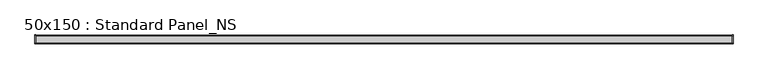
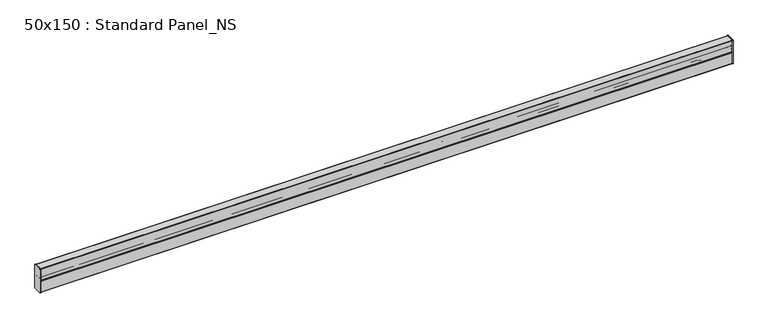
"""IFC4 building model written with IfcOpenShell, lengths in millimetres: proxy geometry, 50x150 : Standard Panel_NS."""

from ifc_helpers import new_model, si_unit, point, frame, frame_2d, origin, place, context, project, spatial, polyline, circle_curve, trimmed, segment, composite_curve, outline, extrude, source, transform, mapped, element, save


def proxy_50x150_standard_panel_ns_f7601092(model_context):
    return source(origin(), model_context, "Body", "SweptSolid", [
        extrude(outline(composite_curve([segment(polyline([(23.35, -152.0), (-23.35, -152.0)]), True, "CONTINUOUS"), segment(trimmed(circle_curve(frame_2d((-23.35, -148.35)), 3.65), [point((-23.35, -152.0))], [point((-27.0, -148.35))], False, "CARTESIAN"), True, "CONTINUOUS"), segment(polyline([(-27.0, -148.35), (-27.0, -1.65)]), True, "CONTINUOUS"), segment(trimmed(circle_curve(frame_2d((-23.35, -1.65)), 3.65), [point((-27.0, -1.65))], [point((-23.35, 2.0))], False, "CARTESIAN"), True, "CONTINUOUS"), segment(polyline([(-23.35, 2.0), (23.35, 2.0)]), True, "CONTINUOUS"), segment(trimmed(circle_curve(frame_2d((23.35, -1.65)), 3.65), [point((23.35, 2.0))], [point((27.0, -1.65))], False, "CARTESIAN"), True, "CONTINUOUS"), segment(polyline([(27.0, -1.65), (27.0, -148.35)]), True, "CONTINUOUS"), segment(trimmed(circle_curve(frame_2d((23.35, -148.35)), 3.65), [point((27.0, -148.35))], [point((23.35, -152.0))], False, "CARTESIAN"), True, "CONTINUOUS")], self_intersect=False)), frame((-4.0, 0.0, 0.0), z_axis=(1.0, 0.0, 0.0), x_axis=(0.0, 1.0, 0.0)), (0.0, 0.0, 1.0), 4.0),
        extrude(outline(composite_curve([segment(trimmed(circle_curve(frame_2d((-23.35, -148.35)), 3.65), [point((-23.35, -152.0))], [point((-27.0, -148.35))], False, "CARTESIAN"), True, "CONTINUOUS"), segment(polyline([(-27.0, -148.35), (-27.0, -1.65)]), True, "CONTINUOUS"), segment(trimmed(circle_curve(frame_2d((-23.35, -1.65)), 3.65), [point((-27.0, -1.65))], [point((-23.35, 2.0))], False, "CARTESIAN"), True, "CONTINUOUS"), segment(polyline([(-23.35, 2.0), (23.35, 2.0)]), True, "CONTINUOUS"), segment(trimmed(circle_curve(frame_2d((23.35, -1.65)), 3.65), [point((23.35, 2.0))], [point((27.0, -1.65))], False, "CARTESIAN"), True, "CONTINUOUS"), segment(polyline([(27.0, -1.65), (27.0, -148.35)]), True, "CONTINUOUS"), segment(trimmed(circle_curve(frame_2d((23.35, -148.35)), 3.65), [point((27.0, -148.35))], [point((23.35, -152.0))], False, "CARTESIAN"), True, "CONTINUOUS"), segment(polyline([(23.35, -152.0), (-23.35, -152.0)]), True, "CONTINUOUS")], self_intersect=False)), frame((4200.0, 0.0, 0.0), z_axis=(1.0, 0.0, 0.0), x_axis=(0.0, 1.0, 0.0)), (0.0, 0.0, 1.0), 4.0),
        extrude(outline(composite_curve([segment(polyline([(-23.2928932, -54.3987279), (-23.2928932, -38.6673368)]), True, "CONTINUOUS"), segment(trimmed(circle_curve(frame_2d((-21.7928932, -38.6673368)), 1.5), [point((-23.2928932, -38.6673368))], [point((-20.2928932, -38.6673368))], False, "CARTESIAN"), True, "CONTINUOUS"), segment(polyline([(-20.2928932, -38.6673368), (-20.2928932, -47.1673368), (-21.2928932, -47.1673368), (-21.2928932, -38.6673368)]), True, "CONTINUOUS"), segment(trimmed(circle_curve(frame_2d((-21.7928932, -38.6673368)), 0.5), [point((-21.2928932, -38.6673368))], [point((-22.2928932, -38.6673368))], True, "CARTESIAN"), True, "CONTINUOUS"), segment(polyline([(-22.2928932, -38.6673368), (-22.2928932, -54.6679667), (-12.4741595, -64.4867005)]), True, "CONTINUOUS"), segment(trimmed(circle_curve(frame_2d((-13.888373, -65.900914)), 2.0), [point((-12.4741595, -64.4867005))], [point((-12.4741595, -67.3151276))], False, "CARTESIAN"), True, "CONTINUOUS"), segment(polyline([(-12.4741595, -67.3151276), (-24.0, -78.8409681), (-24.0, -148.5172618)]), True, "CONTINUOUS"), segment(trimmed(circle_curve(frame_2d((-23.35, -148.5172618)), 0.65), [point((-24.0, -148.5172618))], [point((-23.35, -149.1672618))], True, "CARTESIAN"), True, "CONTINUOUS"), segment(polyline([(-23.35, -149.1672618), (23.35, -149.1672618)]), True, "CONTINUOUS"), segment(trimmed(circle_curve(frame_2d((23.35, -148.5172618)), 0.65), [point((23.35, -149.1672618))], [point((24.0, -148.5172618))], True, "CARTESIAN"), True, "CONTINUOUS"), segment(polyline([(24.0, -148.5172618), (24.0, -78.8409681), (12.4741595, -67.3151276)]), True, "CONTINUOUS"), segment(trimmed(circle_curve(frame_2d((13.888373, -65.900914)), 2.0), [point((12.4741595, -67.3151276))], [point((12.4741595, -64.4867005))], False, "CARTESIAN"), True, "CONTINUOUS"), segment(polyline([(12.4741595, -64.4867005), (22.2928932, -54.6679667), (22.2928932, -38.6673368)]), True, "CONTINUOUS"), segment(trimmed(circle_curve(frame_2d((21.7928932, -38.6673368)), 0.5), [point((22.2928932, -38.6673368))], [point((21.2928932, -38.6673368))], True, "CARTESIAN"), True, "CONTINUOUS"), segment(polyline([(21.2928932, -38.6673368), (21.2928932, -47.1673368), (20.2928932, -47.1673368), (20.2928932, -38.6673368)]), True, "CONTINUOUS"), segment(trimmed(circle_curve(frame_2d((21.7928932, -38.6673368)), 1.5), [point((20.2928932, -38.6673368))], [point((23.2928932, -38.6673368))], False, "CARTESIAN"), True, "CONTINUOUS"), segment(polyline([(23.2928932, -38.6673368), (23.2928932, -54.3987279)]), True, "CONTINUOUS"), segment(trimmed(circle_curve(frame_2d((21.6428932, -54.3987279)), 1.65), [point((23.2928932, -54.3987279))], [point((22.8096194, -55.5654541))], False, "CARTESIAN"), True, "CONTINUOUS"), segment(polyline([(22.8096194, -55.5654541), (13.1862915, -65.188782)]), True, "CONTINUOUS"), segment(trimmed(circle_curve(frame_2d((13.8933983, -65.8958888)), 1.0), [point((13.1862915, -65.188782))], [point((13.1862915, -66.6029956))], True, "CARTESIAN"), True, "CONTINUOUS"), segment(polyline([(13.1862915, -66.6029956), (24.5167262, -77.9334303)]), True, "CONTINUOUS"), segment(trimmed(circle_curve(frame_2d((23.35, -79.1001564)), 1.65), [point((24.5167262, -77.9334303))], [point((25.0, -79.1001564))], False, "CARTESIAN"), True, "CONTINUOUS"), segment(polyline([(25.0, -79.1001564), (25.0, -148.5172618)]), True, "CONTINUOUS"), segment(trimmed(circle_curve(frame_2d((23.35, -148.5172618)), 1.65), [point((25.0, -148.5172618))], [point((23.35, -150.1672618))], False, "CARTESIAN"), True, "CONTINUOUS"), segment(polyline([(23.35, -150.1672618), (-23.35, -150.1672618)]), True, "CONTINUOUS"), segment(trimmed(circle_curve(frame_2d((-23.35, -148.5172618)), 1.65), [point((-23.35, -150.1672618))], [point((-25.0, -148.5172618))], False, "CARTESIAN"), True, "CONTINUOUS"), segment(polyline([(-25.0, -148.5172618), (-25.0, -79.1001564)]), True, "CONTINUOUS"), segment(trimmed(circle_curve(frame_2d((-23.35, -79.1001564)), 1.65), [point((-25.0, -79.1001564))], [point((-24.5167262, -77.9334303))], False, "CARTESIAN"), True, "CONTINUOUS"), segment(polyline([(-24.5167262, -77.9334303), (-13.1862915, -66.6029956)]), True, "CONTINUOUS"), segment(trimmed(circle_curve(frame_2d((-13.8933983, -65.8958888)), 1.0), [point((-13.1862915, -66.6029956))], [point((-13.1862915, -65.188782))], True, "CARTESIAN"), True, "CONTINUOUS"), segment(polyline([(-13.1862915, -65.188782), (-22.8096194, -55.5654541)]), True, "CONTINUOUS"), segment(trimmed(circle_curve(frame_2d((-21.6428932, -54.3987279)), 1.65), [point((-22.8096194, -55.5654541))], [point((-23.2928932, -54.3987279))], False, "CARTESIAN"), True, "CONTINUOUS")], self_intersect=False)), frame((0.0, 0.0, 0.0), z_axis=(1.0, 0.0, 0.0), x_axis=(0.0, 1.0, 0.0)), (0.0, 0.0, 1.0), 4200.0),
        extrude(outline(composite_curve([segment(polyline([(22.0, -73.9969526), (22.0, -60.4969526), (23.0, -60.4969526), (23.0, -73.9969526)]), True, "CONTINUOUS"), segment(trimmed(circle_curve(frame_2d((23.5, -73.9969526)), 0.5), [point((23.0, -73.9969526))], [point((24.0, -73.9969526))], True, "CARTESIAN"), True, "CONTINUOUS"), segment(polyline([(24.0, -73.9969526), (24.0, -1.65)]), True, "CONTINUOUS"), segment(trimmed(circle_curve(frame_2d((23.35, -1.65)), 0.65), [point((24.0, -1.65))], [point((23.35, -1.0))], True, "CARTESIAN"), True, "CONTINUOUS"), segment(polyline([(23.35, -1.0), (-23.35, -1.0)]), True, "CONTINUOUS"), segment(trimmed(circle_curve(frame_2d((-23.35, -1.65)), 0.65), [point((-23.35, -1.0))], [point((-24.0, -1.65))], True, "CARTESIAN"), True, "CONTINUOUS"), segment(polyline([(-24.0, -1.65), (-24.0, -73.9969526)]), True, "CONTINUOUS"), segment(trimmed(circle_curve(frame_2d((-23.5, -73.9969526)), 0.5), [point((-24.0, -73.9969526))], [point((-23.0, -73.9969526))], True, "CARTESIAN"), True, "CONTINUOUS"), segment(polyline([(-23.0, -73.9969526), (-23.0, -60.4969526), (-22.0, -60.4969526), (-22.0, -73.9969526)]), True, "CONTINUOUS"), segment(trimmed(circle_curve(frame_2d((-23.5, -73.9969526)), 1.5), [point((-22.0, -73.9969526))], [point((-25.0, -73.9969526))], False, "CARTESIAN"), True, "CONTINUOUS"), segment(polyline([(-25.0, -73.9969526), (-25.0, -1.65)]), True, "CONTINUOUS"), segment(trimmed(circle_curve(frame_2d((-23.35, -1.65)), 1.65), [point((-25.0, -1.65))], [point((-23.35, 0.0))], False, "CARTESIAN"), True, "CONTINUOUS"), segment(polyline([(-23.35, 0.0), (23.35, 0.0)]), True, "CONTINUOUS"), segment(trimmed(circle_curve(frame_2d((23.35, -1.65)), 1.65), [point((23.35, 0.0))], [point((25.0, -1.65))], False, "CARTESIAN"), True, "CONTINUOUS"), segment(polyline([(25.0, -1.65), (25.0, -73.9969526)]), True, "CONTINUOUS"), segment(trimmed(circle_curve(frame_2d((23.5, -73.9969526)), 1.5), [point((25.0, -73.9969526))], [point((22.0, -73.9969526))], False, "CARTESIAN"), True, "CONTINUOUS")], self_intersect=False)), frame((0.0, 0.0, 0.0), z_axis=(1.0, 0.0, 0.0), x_axis=(0.0, 1.0, 0.0)), (0.0, 0.0, 1.0), 4200.0),
    ])


if __name__ == "__main__":
    model = new_model("IFC4")
    model_context = context("Model", 3, world=origin())
    ifc_project = project(units=[si_unit("LENGTHUNIT", "METRE", prefix="MILLI")], contexts=[model_context])
    site = spatial("IfcSite", under=ifc_project)
    building = spatial("IfcBuilding", under=site)
    placement = place(None, origin())
    proxy_50x150_standard_panel_ns_shape = proxy_50x150_standard_panel_ns_f7601092(model_context)
    element("IfcBuildingElementProxy", 1, Name="50x150 : Standard Panel_NS", ObjectType="50x150 : Standard Panel_NS", at=placement, inside=building, context=model_context, shape_type="MappedRepresentation", body=[
        mapped(proxy_50x150_standard_panel_ns_shape, transform((0.0, 0.0, 0.0), x_axis=(1.0, 0.0, 0.0), y_axis=(0.0, 1.0, 0.0), z_axis=(0.0, 0.0, 1.0))),
    ])
    save(model, "model.ifc")
